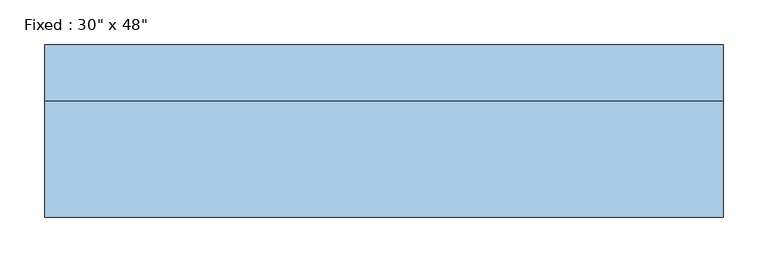
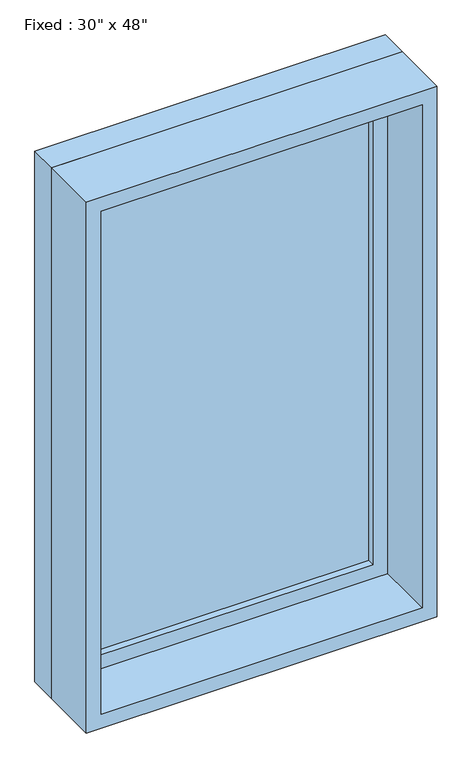
"""IFC4 building model written with IfcOpenShell, lengths in millimetres: window geometry."""

from ifc_helpers import new_model, si_unit, frame, origin, place, context, project, spatial, polyline, outline, extrude, source, transform, mapped, element, save


def window_4394e5b7(model_context):
    return source(origin(), model_context, "Body", "SweptSolid", [
        extrude(outline(polyline([(279.4, 49.2125), (-355.6, 49.2125), (-355.6, 61.9125), (279.4, 61.9125), (279.4, 49.2125)])), frame((0.0, 0.0, 977.9), z_axis=(0.0, 0.0, 1.0), x_axis=(1.0, 0.0, 0.0)), (0.0, 0.0, 1.0), 1092.2),
        extrude(outline(polyline([(2114.55, -400.05), (933.45, -400.05), (933.45, 323.85), (2114.55, 323.85), (2114.55, -400.05)]), holes=[polyline([(2070.1, -355.6), (2070.1, 279.4), (977.9, 279.4), (977.9, -355.6), (2070.1, -355.6)])]), frame((0.0, 33.3375, 0.0), z_axis=(0.0, 1.0, 0.0), x_axis=(0.0, 0.0, 1.0)), (0.0, 0.0, 1.0), 44.45),
        extrude(outline(polyline([(2133.6, -419.1), (914.4, -419.1), (914.4, 342.9), (2133.6, 342.9), (2133.6, -419.1)]), holes=[polyline([(2101.85, -387.35), (2101.85, 311.15), (946.15, 311.15), (946.15, -387.35), (2101.85, -387.35)])]), frame((0.0, -96.8375, 0.0), z_axis=(0.0, 1.0, 0.0), x_axis=(0.0, 0.0, 1.0)), (0.0, 0.0, 1.0), 130.175),
        extrude(outline(polyline([(2133.6, 342.9), (2133.6, -419.1), (914.4, -419.1), (914.4, 342.9), (2133.6, 342.9)]), holes=[polyline([(2114.55, 323.85), (933.45, 323.85), (933.45, -400.05), (2114.55, -400.05), (2114.55, 323.85)])]), frame((0.0, 33.3375, 0.0), z_axis=(0.0, 1.0, 0.0), x_axis=(0.0, 0.0, 1.0)), (0.0, 0.0, 1.0), 63.5),
    ])


if __name__ == "__main__":
    model = new_model("IFC4")
    model_context = context("Model", 3, world=origin())
    ifc_project = project(units=[si_unit("LENGTHUNIT", "METRE", prefix="MILLI")], contexts=[model_context])
    site = spatial("IfcSite", under=ifc_project)
    building = spatial("IfcBuilding", under=site)
    placement = place(None, origin())
    window_shape = window_4394e5b7(model_context)
    element("IfcWindow", 1, ObjectType="Fixed : 30\" x 48\"", at=placement, inside=building, context=model_context, shape_type="MappedRepresentation", body=[
        mapped(window_shape, transform((0.0, 0.0, 0.0), x_axis=(1.0, 0.0, 0.0), y_axis=(0.0, 1.0, 0.0), z_axis=(0.0, 0.0, 1.0))),
    ])
    save(model, "model.ifc")
